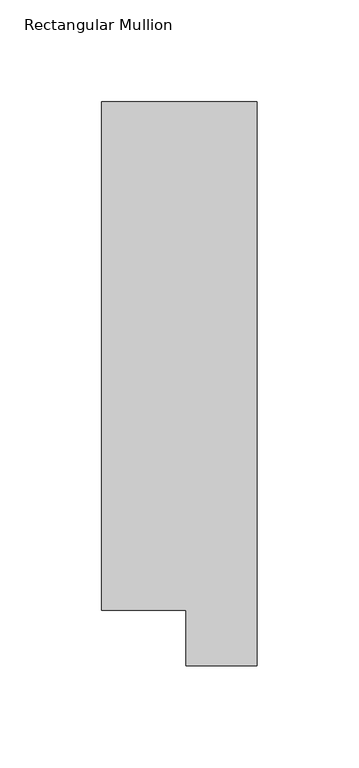
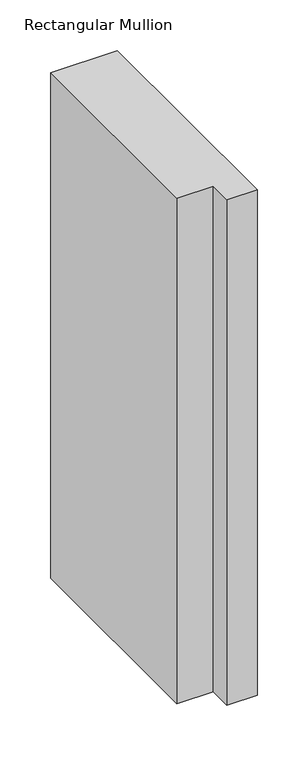
"""IFC4 building model written with IfcOpenShell, lengths in millimetres: member geometry, Rectangular Mullion."""

from ifc_helpers import new_model, si_unit, frame, origin, place, context, project, spatial, polyline, outline, extrude, source, transform, mapped, element, save


def rectangular_mullion_13db85c8(model_context):
    return source(origin(), model_context, "Body", "SweptSolid", [
        extrude(outline(polyline([(-3.3e-06, 295.9695326), (0.0, 19.5667326), (-34.9123, 19.5667322), (-34.9123003, 46.7447311), (-76.2000003, 46.7447306), (-76.2000033, 295.9695317), (-3.3e-06, 295.9695326)])), frame((0.0, 0.0, -609.6), z_axis=(0.0, 0.0, 1.0), x_axis=(1.0, 0.0, 0.0)), (0.0, 0.0, 1.0), 609.6),
    ])


if __name__ == "__main__":
    model = new_model("IFC4")
    model_context = context("Model", 3, world=origin())
    ifc_project = project(units=[si_unit("LENGTHUNIT", "METRE", prefix="MILLI")], contexts=[model_context])
    site = spatial("IfcSite", under=ifc_project)
    building = spatial("IfcBuilding", under=site)
    placement = place(None, origin())
    rectangular_mullion_shape = rectangular_mullion_13db85c8(model_context)
    element("IfcMember", 1, ObjectType="Rectangular Mullion", at=placement, inside=building, context=model_context, shape_type="MappedRepresentation", body=[
        mapped(rectangular_mullion_shape, transform((0.0, 0.0, 0.0), x_axis=(1.0, 0.0, 0.0), y_axis=(0.0, 1.0, 0.0), z_axis=(0.0, 0.0, 1.0))),
    ])
    save(model, "model.ifc")
